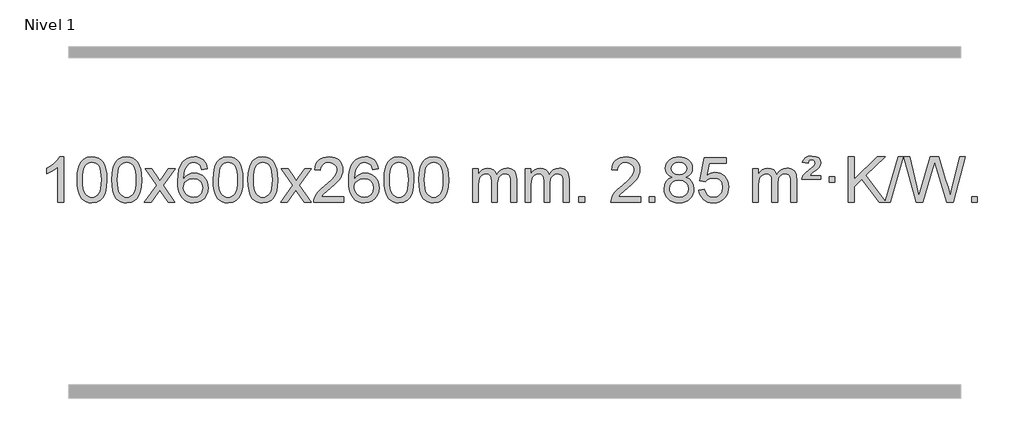
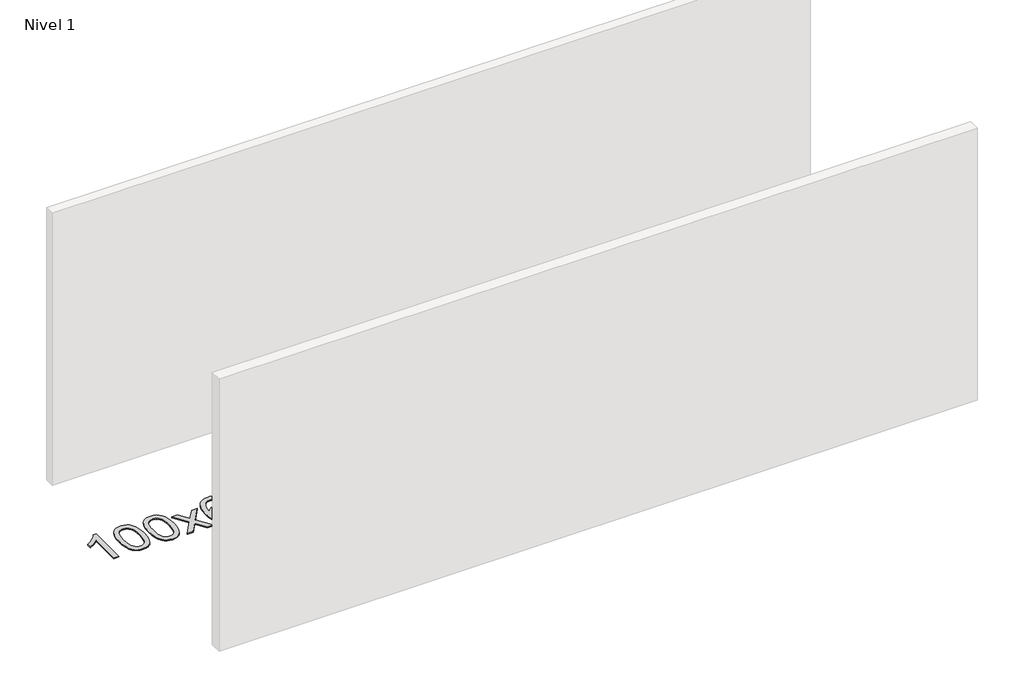
# One storey, part 7 of 12: 1 proxy.
"""IFC4 building model written with IfcOpenShell, lengths in millimetres."""

from ifc_helpers import new_model, si_unit, origin, origin_with_axes, place, context, project, spatial, polyline, outline, extrude, element, save

model = new_model("IFC4")

# Units and contexts
model_context = context("Model", 3, world=origin())
ifc_project = project(units=[si_unit("LENGTHUNIT", "METRE", prefix="MILLI")], contexts=[model_context])

# Site, building, storey
site = spatial("IfcSite", under=ifc_project)
building = spatial("IfcBuilding", under=site)
storey = spatial("IfcBuildingStorey", under=building, Name="Nivel 1", Elevation=0.0)

# Proxy
placement = place(None, origin())
element("IfcBuildingElementProxy", 1, Name="Texto de modelo 1", ObjectType="Texto de modelo 1", at=placement, inside=storey, context=model_context, shape_type="SweptSolid", body=[
    extrude(outline(polyline([(5124.5384212, -9389.579453), (5074.3102662, -9389.579453), (5074.3102662, -9076.4382987), (5053.3409924, -9093.3976587), (5026.7308615, -9110.3324932), (4973.853956, -9135.6918254), (4973.853956, -9088.2105225), (5013.3031686, -9066.7507395), (5047.479406, -9041.219729), (5074.4206308, -9014.0700378), (5092.1648057, -8987.7542124), (5124.5384212, -8987.7542124), (5124.5384212, -9389.579453)])), origin_with_axes(), (0.0, 0.0, 1.0), 10.0),
    extrude(outline(polyline([(5243.8302895, -9191.9041943), (5247.5213722, -9127.5861588), (5258.5946203, -9076.2911459), (5276.9396691, -9037.2343407), (5288.7977321, -9022.0009605), (5302.4461541, -9009.6309284), (5317.9309204, -9000.0598651), (5335.2980163, -8993.2233914), (5375.6791966, -8987.7542124), (5406.6303351, -8990.991574), (5434.3441121, -9000.7036586), (5457.5206778, -9016.5103217), (5474.8601825, -9038.0314184), (5487.9567815, -9065.0830078), (5498.4046302, -9097.4811488), (5505.2472353, -9138.6226186), (5507.5281037, -9191.9041943), (5503.8738092, -9255.8543477), (5492.9109257, -9307.0267333), (5474.6762415, -9346.1203266), (5462.8457697, -9361.3996922), (5449.2065447, -9373.8341036), (5433.7033843, -9383.4695462), (5416.2811061, -9390.3520052), (5375.6791966, -9395.8579724), (5348.0144706, -9393.4667394), (5323.4890042, -9386.2930405), (5302.1027976, -9374.3368757), (5283.8558506, -9357.5982449), (5266.3446676, -9327.3399508), (5253.8366798, -9289.6381776), (5246.3318871, -9244.4929255), (5243.8302895, -9191.9041943)]), holes=[polyline([(5294.0584446, -9191.8060924), (5295.5299726, -9235.4706195), (5299.9445565, -9270.8148822), (5307.3021964, -9297.8388804), (5317.6028923, -9316.5426142), (5330.0618292, -9329.2682656), (5343.8941922, -9338.3580165), (5359.0999814, -9343.8118671), (5375.6791966, -9345.6298173), (5392.2584119, -9343.8057357), (5407.464201, -9338.3334911), (5421.296564, -9329.2130833), (5433.7555009, -9316.4445124), (5444.0561968, -9297.7101217), (5451.4138367, -9270.6922549), (5455.8284206, -9235.3909118), (5457.2999486, -9191.8060924), (5455.8774716, -9149.2973278), (5451.6100404, -9114.5753989), (5444.4976552, -9087.6403055), (5434.5403158, -9068.4920476), (5422.2898454, -9055.1440625), (5408.2980668, -9045.6097875), (5392.5649802, -9039.8892225), (5375.0905854, -9037.9823675), (5358.5972093, -9039.6623619), (5343.6489376, -9044.7023452), (5330.2457702, -9053.1023175), (5318.3877072, -9064.8622786), (5307.7436548, -9085.708925), (5300.1407603, -9113.8151094), (5295.5790235, -9149.1808319), (5294.0584446, -9191.8060924)])]), origin_with_axes(), (0.0, 0.0, 1.0), 10.0),
    extrude(outline(polyline([(5551.4777394, -9191.9041943), (5555.1688221, -9127.5861588), (5566.2420701, -9076.2911459), (5584.5871189, -9037.2343407), (5596.4451819, -9022.0009605), (5610.0936039, -9009.6309284), (5625.5783702, -9000.0598651), (5642.9454661, -8993.2233914), (5683.3266464, -8987.7542124), (5714.277785, -8990.991574), (5741.9915619, -9000.7036586), (5765.1681276, -9016.5103217), (5782.5076323, -9038.0314184), (5795.6042314, -9065.0830078), (5806.05208, -9097.4811488), (5812.8946851, -9138.6226186), (5815.1755535, -9191.9041943), (5811.521259, -9255.8543477), (5800.5583756, -9307.0267333), (5782.3236913, -9346.1203266), (5770.4932195, -9361.3996922), (5756.8539945, -9373.8341036), (5741.3508341, -9383.4695462), (5723.928556, -9390.3520052), (5683.3266464, -9395.8579724), (5655.6619204, -9393.4667394), (5631.1364541, -9386.2930405), (5609.7502474, -9374.3368757), (5591.5033004, -9357.5982449), (5573.9921175, -9327.3399508), (5561.4841296, -9289.6381776), (5553.9793369, -9244.4929255), (5551.4777394, -9191.9041943)]), holes=[polyline([(5601.7058944, -9191.8060924), (5603.1774224, -9235.4706195), (5607.5920064, -9270.8148822), (5614.9496463, -9297.8388804), (5625.2503421, -9316.5426142), (5637.709279, -9329.2682656), (5651.5416421, -9338.3580165), (5666.7474312, -9343.8118671), (5683.3266464, -9345.6298173), (5699.9058617, -9343.8057357), (5715.1116508, -9338.3334911), (5728.9440138, -9329.2130833), (5741.4029507, -9316.4445124), (5751.7036466, -9297.7101217), (5759.0612865, -9270.6922549), (5763.4758705, -9235.3909118), (5764.9473984, -9191.8060924), (5763.5249214, -9149.2973278), (5759.2574902, -9114.5753989), (5752.145105, -9087.6403055), (5742.1877657, -9068.4920476), (5729.9372952, -9055.1440625), (5715.9455167, -9045.6097875), (5700.21243, -9039.8892225), (5682.7380352, -9037.9823675), (5666.2446591, -9039.6623619), (5651.2963874, -9044.7023452), (5637.89322, -9053.1023175), (5626.0351571, -9064.8622786), (5615.3911047, -9085.708925), (5607.7882101, -9113.8151094), (5603.2264734, -9149.1808319), (5601.7058944, -9191.8060924)])]), origin_with_axes(), (0.0, 0.0, 1.0), 10.0),
    extrude(outline(polyline([(5840.2896311, -9389.579453), (5947.6130718, -9241.2494325), (5846.5681504, -9094.4890419), (5906.9988995, -9094.4890419), (5955.7555266, -9165.122385), (5978.5151594, -9198.4770192), (5998.2336343, -9171.2047007), (6053.7592901, -9094.4890419), (6114.1900392, -9094.4890419), (6008.0438209, -9241.2494325), (6110.2659646, -9389.579453), (6049.8352155, -9389.579453), (5988.3253459, -9300.4048574), (5977.0436314, -9284.1199477), (5900.7203801, -9389.579453), (5840.2896311, -9389.579453)])), origin_with_axes(), (0.0, 0.0, 1.0), 10.0),
    extrude(outline(polyline([(6399.0778563, -9094.4890419), (6348.8497012, -9100.7675613), (6340.7562973, -9075.874213), (6329.8179393, -9058.8780648), (6307.0337811, -9043.2062918), (6279.4916824, -9037.9823675), (6256.1434384, -9041.0235253), (6234.1686206, -9050.1469988), (6215.2962742, -9069.3627017), (6199.8820186, -9095.8134171), (6189.4709581, -9133.227016), (6185.6081972, -9185.3313693), (6205.7558678, -9161.8237098), (6229.9011894, -9145.2567573), (6256.6952614, -9135.434308), (6284.7891831, -9132.1601582), (6308.922242, -9134.398107), (6331.1913654, -9141.1119534), (6351.5965534, -9152.3016975), (6370.137806, -9167.9673391), (6385.5459302, -9187.1769106), (6396.5517332, -9208.9984443), (6403.155215, -9233.4319401), (6405.3563756, -9260.4773982), (6401.2115718, -9296.4439945), (6388.7771604, -9329.786366), (6369.0832109, -9358.0642287), (6343.159793, -9378.8372987), (6312.184129, -9391.602804), (6277.3334413, -9395.8579724), (6247.3909126, -9393.0375437), (6220.3485203, -9384.5762579), (6196.2062643, -9370.4741147), (6174.9641448, -9350.7311143), (6157.6460999, -9324.5133908), (6145.2760678, -9290.9870783), (6137.8540485, -9250.1521768), (6135.3800421, -9202.0086864), (6138.1268943, -9148.0342663), (6146.367451, -9101.9693092), (6160.1017122, -9063.8138149), (6179.3296778, -9033.5677835), (6200.1701928, -9013.5243462), (6224.3339085, -8999.2076052), (6251.820825, -8990.6175606), (6282.6309421, -8987.7542124), (6305.7645882, -8989.5261773), (6326.7032051, -8994.8420722), (6345.4467927, -9003.7018969), (6361.9953511, -9016.1056515), (6375.9012906, -9031.6364031), (6386.7170212, -9049.8772186), (6394.4425431, -9070.8280983), (6399.0778563, -9094.4890419)]), holes=[polyline([(6185.6081972, -9259.6925832), (6188.514465, -9281.9494439), (6197.2332682, -9303.2007605), (6210.7713257, -9321.472233), (6228.1353558, -9334.7895612), (6249.0923668, -9342.9197533), (6273.4093667, -9345.6298173), (6306.5555345, -9340.0134855), (6320.4706709, -9332.9930708), (6332.6138425, -9323.1644901), (6342.4638829, -9310.9262824), (6349.499626, -9296.6769865), (6355.1282206, -9262.1451299), (6349.5732024, -9228.9989621), (6342.6294298, -9215.3781312), (6332.9081481, -9203.725469), (6320.7281883, -9194.3904634), (6306.4083817, -9187.7226022), (6271.3492275, -9182.3883133), (6238.2521107, -9187.7226022), (6210.5751219, -9203.725469), (6199.6520924, -9215.2248471), (6191.8499284, -9228.3858254), (6187.16863, -9243.2084042), (6185.6081972, -9259.6925832)])]), origin_with_axes(), (0.0, 0.0, 1.0), 10.0),
    extrude(outline(polyline([(6449.3060113, -9191.9041943), (6452.997094, -9127.5861588), (6464.0703421, -9076.2911459), (6482.4153909, -9037.2343407), (6494.2734539, -9022.0009605), (6507.9218759, -9009.6309284), (6523.4066422, -9000.0598651), (6540.7737381, -8993.2233914), (6581.1549184, -8987.7542124), (6612.1060569, -8990.991574), (6639.8198339, -9000.7036586), (6662.9963996, -9016.5103217), (6680.3359043, -9038.0314184), (6693.4325033, -9065.0830078), (6703.880352, -9097.4811488), (6710.7229571, -9138.6226186), (6713.0038255, -9191.9041943), (6709.349531, -9255.8543477), (6698.3866475, -9307.0267333), (6680.1519633, -9346.1203266), (6668.3214915, -9361.3996922), (6654.6822665, -9373.8341036), (6639.1791061, -9383.4695462), (6621.7568279, -9390.3520052), (6581.1549184, -9395.8579724), (6553.4901924, -9393.4667394), (6528.964726, -9386.2930405), (6507.5785194, -9374.3368757), (6489.3315724, -9357.5982449), (6471.8203894, -9327.3399508), (6459.3124016, -9289.6381776), (6451.8076089, -9244.4929255), (6449.3060113, -9191.9041943)]), holes=[polyline([(6499.5341664, -9191.8060924), (6501.0056944, -9235.4706195), (6505.4202783, -9270.8148822), (6512.7779182, -9297.8388804), (6523.0786141, -9316.5426142), (6535.537551, -9329.2682656), (6549.369914, -9338.3580165), (6564.5757032, -9343.8118671), (6581.1549184, -9345.6298173), (6597.7341337, -9343.8057357), (6612.9399228, -9338.3334911), (6626.7722858, -9329.2130833), (6639.2312227, -9316.4445124), (6649.5319186, -9297.7101217), (6656.8895585, -9270.6922549), (6661.3041424, -9235.3909118), (6662.7756704, -9191.8060924), (6661.3531934, -9149.2973278), (6657.0857622, -9114.5753989), (6649.973377, -9087.6403055), (6640.0160376, -9068.4920476), (6627.7655672, -9055.1440625), (6613.7737886, -9045.6097875), (6598.040702, -9039.8892225), (6580.5663072, -9037.9823675), (6564.0729311, -9039.6623619), (6549.1246594, -9044.7023452), (6535.721492, -9053.1023175), (6523.863429, -9064.8622786), (6513.2193766, -9085.708925), (6505.6164821, -9113.8151094), (6501.0547453, -9149.1808319), (6499.5341664, -9191.8060924)])]), origin_with_axes(), (0.0, 0.0, 1.0), 10.0),
    extrude(outline(polyline([(6756.9534612, -9191.9041943), (6760.6445439, -9127.5861588), (6771.7177919, -9076.2911459), (6790.0628407, -9037.2343407), (6801.9209037, -9022.0009605), (6815.5693257, -9009.6309284), (6831.054092, -9000.0598651), (6848.4211879, -8993.2233914), (6888.8023682, -8987.7542124), (6919.7535068, -8990.991574), (6947.4672837, -9000.7036586), (6970.6438494, -9016.5103217), (6987.9833541, -9038.0314184), (7001.0799532, -9065.0830078), (7011.5278018, -9097.4811488), (7018.3704069, -9138.6226186), (7020.6512753, -9191.9041943), (7016.9969808, -9255.8543477), (7006.0340974, -9307.0267333), (6987.7994131, -9346.1203266), (6975.9689413, -9361.3996922), (6962.3297163, -9373.8341036), (6946.8265559, -9383.4695462), (6929.4042778, -9390.3520052), (6888.8023682, -9395.8579724), (6861.1376422, -9393.4667394), (6836.6121759, -9386.2930405), (6815.2259692, -9374.3368757), (6796.9790222, -9357.5982449), (6779.4678393, -9327.3399508), (6766.9598514, -9289.6381776), (6759.4550587, -9244.4929255), (6756.9534612, -9191.9041943)]), holes=[polyline([(6807.1816162, -9191.8060924), (6808.6531442, -9235.4706195), (6813.0677282, -9270.8148822), (6820.4253681, -9297.8388804), (6830.7260639, -9316.5426142), (6843.1850008, -9329.2682656), (6857.0173639, -9338.3580165), (6872.223153, -9343.8118671), (6888.8023682, -9345.6298173), (6905.3815835, -9343.8057357), (6920.5873726, -9338.3334911), (6934.4197356, -9329.2130833), (6946.8786725, -9316.4445124), (6957.1793684, -9297.7101217), (6964.5370083, -9270.6922549), (6968.9515923, -9235.3909118), (6970.4231202, -9191.8060924), (6969.0006432, -9149.2973278), (6964.733212, -9114.5753989), (6957.6208268, -9087.6403055), (6947.6634875, -9068.4920476), (6935.413017, -9055.1440625), (6921.4212385, -9045.6097875), (6905.6881518, -9039.8892225), (6888.213757, -9037.9823675), (6871.7203809, -9039.6623619), (6856.7721092, -9044.7023452), (6843.3689418, -9053.1023175), (6831.5108789, -9064.8622786), (6820.8668265, -9085.708925), (6813.2639319, -9113.8151094), (6808.7021952, -9149.1808319), (6807.1816162, -9191.8060924)])]), origin_with_axes(), (0.0, 0.0, 1.0), 10.0),
    extrude(outline(polyline([(7045.7653528, -9389.579453), (7153.0887936, -9241.2494325), (7052.0438722, -9094.4890419), (7112.4746213, -9094.4890419), (7161.2312484, -9165.122385), (7183.9908812, -9198.4770192), (7203.7093561, -9171.2047007), (7259.2350119, -9094.4890419), (7319.665761, -9094.4890419), (7213.5195426, -9241.2494325), (7315.7416864, -9389.579453), (7255.3109373, -9389.579453), (7193.8010677, -9300.4048574), (7182.5193532, -9284.1199477), (7106.1961019, -9389.579453), (7045.7653528, -9389.579453)])), origin_with_axes(), (0.0, 0.0, 1.0), 10.0),
    extrude(outline(polyline([(7604.5535781, -9339.3512979), (7604.5535781, -9389.579453), (7340.8557639, -9389.579453), (7341.9594099, -9371.8965918), (7346.2513665, -9354.9494945), (7358.636727, -9327.8856424), (7376.7610466, -9301.6311307), (7402.9787702, -9274.1503456), (7439.6443423, -9243.4076736), (7493.845623, -9195.2641831), (7526.3663913, -9159.7267824), (7542.6267755, -9130.884834), (7548.0469036, -9102.8277005), (7542.9333439, -9077.6768347), (7527.5926647, -9056.7688747), (7504.0114288, -9042.6789943), (7474.176199, -9037.9823675), (7442.8449157, -9042.5686297), (7418.5033904, -9056.3274163), (7402.7948292, -9078.1796068), (7397.3624384, -9107.0460807), (7347.1342833, -9100.7675613), (7351.4538311, -9074.838012), (7359.3111773, -9052.1826125), (7370.7063221, -9032.8013627), (7385.6392655, -9016.6942627), (7403.7666508, -9004.0329907), (7424.7451215, -8994.989225), (7448.5746778, -8989.5629655), (7475.2553195, -8987.7542124), (7502.1750845, -8989.7653006), (7526.1333994, -8995.7985654), (7547.1302643, -9005.8540066), (7565.1656791, -9019.9316242), (7579.6510327, -9036.9890861), (7589.9977138, -9055.9840598), (7596.2057224, -9076.9165453), (7598.2750587, -9099.7865427), (7596.0432412, -9123.8092369), (7589.3477889, -9147.4149983), (7577.4652005, -9171.4254299), (7559.6719746, -9196.6621347), (7531.3082728, -9226.7916701), (7487.7142564, -9265.4805933), (7429.9322577, -9313.795762), (7407.2707268, -9339.3512979), (7604.5535781, -9339.3512979)])), origin_with_axes(), (0.0, 0.0, 1.0), 10.0),
    extrude(outline(polyline([(7912.2010279, -9094.4890419), (7861.9728728, -9100.7675613), (7853.8794689, -9075.874213), (7842.9411109, -9058.8780648), (7820.1569527, -9043.2062918), (7792.614854, -9037.9823675), (7769.26661, -9041.0235253), (7747.2917922, -9050.1469988), (7728.4194458, -9069.3627017), (7713.0051902, -9095.8134171), (7702.5941298, -9133.227016), (7698.7313688, -9185.3313693), (7718.8790394, -9161.8237098), (7743.024361, -9145.2567573), (7769.818433, -9135.434308), (7797.9123547, -9132.1601582), (7822.0454136, -9134.398107), (7844.314537, -9141.1119534), (7864.719725, -9152.3016975), (7883.2609776, -9167.9673391), (7898.6691018, -9187.1769106), (7909.6749049, -9208.9984443), (7916.2783867, -9233.4319401), (7918.4795473, -9260.4773982), (7914.3347435, -9296.4439945), (7901.900332, -9329.786366), (7882.2063825, -9358.0642287), (7856.2829646, -9378.8372987), (7825.3073006, -9391.602804), (7790.4566129, -9395.8579724), (7760.5140842, -9393.0375437), (7733.4716919, -9384.5762579), (7709.329436, -9370.4741147), (7688.0873164, -9350.7311143), (7670.7692715, -9324.5133908), (7658.3992394, -9290.9870783), (7650.9772202, -9250.1521768), (7648.5032137, -9202.0086864), (7651.250066, -9148.0342663), (7659.4906227, -9101.9693092), (7673.2248838, -9063.8138149), (7692.4528494, -9033.5677835), (7713.2933645, -9013.5243462), (7737.4570802, -8999.2076052), (7764.9439966, -8990.6175606), (7795.7541137, -8987.7542124), (7818.8877598, -8989.5261773), (7839.8263767, -8994.8420722), (7858.5699644, -9003.7018969), (7875.1185228, -9016.1056515), (7889.0244622, -9031.6364031), (7899.8401928, -9049.8772186), (7907.5657147, -9070.8280983), (7912.2010279, -9094.4890419)]), holes=[polyline([(7698.7313688, -9259.6925832), (7701.6376366, -9281.9494439), (7710.3564399, -9303.2007605), (7723.8944973, -9321.472233), (7741.2585275, -9334.7895612), (7762.2155385, -9342.9197533), (7786.5325383, -9345.6298173), (7819.6787061, -9340.0134855), (7833.5938426, -9332.9930708), (7845.7370141, -9323.1644901), (7855.5870545, -9310.9262824), (7862.6227977, -9296.6769865), (7868.2513922, -9262.1451299), (7862.6963741, -9228.9989621), (7855.7526014, -9215.3781312), (7846.0313197, -9203.725469), (7833.85136, -9194.3904634), (7819.5315533, -9187.7226022), (7784.4723992, -9182.3883133), (7751.3752823, -9187.7226022), (7723.6982936, -9203.725469), (7712.775264, -9215.2248471), (7704.9731, -9228.3858254), (7700.2918016, -9243.2084042), (7698.7313688, -9259.6925832)])]), origin_with_axes(), (0.0, 0.0, 1.0), 10.0),
    extrude(outline(polyline([(7962.429183, -9191.9041943), (7966.1202656, -9127.5861588), (7977.1935137, -9076.2911459), (7995.5385625, -9037.2343407), (8007.3966255, -9022.0009605), (8021.0450475, -9009.6309284), (8036.5298138, -9000.0598651), (8053.8969097, -8993.2233914), (8094.27809, -8987.7542124), (8125.2292286, -8990.991574), (8152.9430055, -9000.7036586), (8176.1195712, -9016.5103217), (8193.4590759, -9038.0314184), (8206.555675, -9065.0830078), (8217.0035236, -9097.4811488), (8223.8461287, -9138.6226186), (8226.1269971, -9191.9041943), (8222.4727026, -9255.8543477), (8211.5098192, -9307.0267333), (8193.2751349, -9346.1203266), (8181.4446631, -9361.3996922), (8167.8054381, -9373.8341036), (8152.3022777, -9383.4695462), (8134.8799996, -9390.3520052), (8094.27809, -9395.8579724), (8066.613364, -9393.4667394), (8042.0878976, -9386.2930405), (8020.701691, -9374.3368757), (8002.454744, -9357.5982449), (7984.9435611, -9327.3399508), (7972.4355732, -9289.6381776), (7964.9307805, -9244.4929255), (7962.429183, -9191.9041943)]), holes=[polyline([(8012.657338, -9191.8060924), (8014.128866, -9235.4706195), (8018.54345, -9270.8148822), (8025.9010899, -9297.8388804), (8036.2017857, -9316.5426142), (8048.6607226, -9329.2682656), (8062.4930856, -9338.3580165), (8077.6988748, -9343.8118671), (8094.27809, -9345.6298173), (8110.8573053, -9343.8057357), (8126.0630944, -9338.3334911), (8139.8954574, -9329.2130833), (8152.3543943, -9316.4445124), (8162.6550902, -9297.7101217), (8170.0127301, -9270.6922549), (8174.427314, -9235.3909118), (8175.898842, -9191.8060924), (8174.476365, -9149.2973278), (8170.2089338, -9114.5753989), (8163.0965486, -9087.6403055), (8153.1392093, -9068.4920476), (8140.8887388, -9055.1440625), (8126.8969603, -9045.6097875), (8111.1638736, -9039.8892225), (8093.6894788, -9037.9823675), (8077.1961027, -9039.6623619), (8062.247831, -9044.7023452), (8048.8446636, -9053.1023175), (8036.9866007, -9064.8622786), (8026.3425483, -9085.708925), (8018.7396537, -9113.8151094), (8014.1779169, -9149.1808319), (8012.657338, -9191.8060924)])]), origin_with_axes(), (0.0, 0.0, 1.0), 10.0),
    extrude(outline(polyline([(8270.0766328, -9191.9041943), (8273.7677155, -9127.5861588), (8284.8409635, -9076.2911459), (8303.1860124, -9037.2343407), (8315.0440753, -9022.0009605), (8328.6924974, -9009.6309284), (8344.1772637, -9000.0598651), (8361.5443595, -8993.2233914), (8401.9255399, -8987.7542124), (8432.8766784, -8990.991574), (8460.5904554, -9000.7036586), (8483.7670211, -9016.5103217), (8501.1065258, -9038.0314184), (8514.2031248, -9065.0830078), (8524.6509735, -9097.4811488), (8531.4935786, -9138.6226186), (8533.7744469, -9191.9041943), (8530.1201525, -9255.8543477), (8519.157269, -9307.0267333), (8500.9225848, -9346.1203266), (8489.0921129, -9361.3996922), (8475.452888, -9373.8341036), (8459.9497276, -9383.4695462), (8442.5274494, -9390.3520052), (8401.9255399, -9395.8579724), (8374.2608138, -9393.4667394), (8349.7353475, -9386.2930405), (8328.3491408, -9374.3368757), (8310.1021939, -9357.5982449), (8292.5910109, -9327.3399508), (8280.0830231, -9289.6381776), (8272.5782304, -9244.4929255), (8270.0766328, -9191.9041943)]), holes=[polyline([(8320.3047879, -9191.8060924), (8321.7763158, -9235.4706195), (8326.1908998, -9270.8148822), (8333.5485397, -9297.8388804), (8343.8492356, -9316.5426142), (8356.3081725, -9329.2682656), (8370.1405355, -9338.3580165), (8385.3463246, -9343.8118671), (8401.9255399, -9345.6298173), (8418.5047551, -9343.8057357), (8433.7105442, -9338.3334911), (8447.5429073, -9329.2130833), (8460.0018442, -9316.4445124), (8470.30254, -9297.7101217), (8477.6601799, -9270.6922549), (8482.0747639, -9235.3909118), (8483.5462919, -9191.8060924), (8482.1238148, -9149.2973278), (8477.8563837, -9114.5753989), (8470.7439984, -9087.6403055), (8460.7866591, -9068.4920476), (8448.5361887, -9055.1440625), (8434.5444101, -9045.6097875), (8418.8113234, -9039.8892225), (8401.3369287, -9037.9823675), (8384.8435526, -9039.6623619), (8369.8952808, -9044.7023452), (8356.4921135, -9053.1023175), (8344.6340505, -9064.8622786), (8333.9899981, -9085.708925), (8326.3871035, -9113.8151094), (8321.8253668, -9149.1808319), (8320.3047879, -9191.8060924)])]), origin_with_axes(), (0.0, 0.0, 1.0), 10.0),
    extrude(outline(polyline([(8747.244106, -9389.579453), (8747.244106, -9094.4890419), (8797.4722611, -9094.4890419), (8797.4722611, -9143.0494653), (8812.5799483, -9120.7435537), (8832.0041177, -9103.2691589), (8855.0825815, -9091.9751816), (8881.1531522, -9088.2105225), (8909.0876584, -9092.048758), (8931.4794092, -9103.5634645), (8948.2057772, -9121.9943524), (8959.1441352, -9146.5811324), (8977.4523959, -9121.0439906), (8998.3358304, -9102.803175), (9021.794439, -9091.8586857), (9047.8282215, -9088.2105225), (9067.9360383, -9089.7280358), (9085.585177, -9094.2805755), (9100.7756377, -9101.8681416), (9113.5074204, -9112.4907342), (9123.5720587, -9126.2709806), (9130.761086, -9143.3315082), (9135.0745024, -9163.6723168), (9136.5123078, -9187.2934066), (9136.5123078, -9389.579453), (9086.2841528, -9389.579453), (9086.2841528, -9208.875817), (9085.1191931, -9183.8230531), (9081.6243142, -9166.9372695), (9075.0760146, -9155.3735121), (9064.7507933, -9146.2868268), (9051.4702533, -9140.4007149), (9036.0559977, -9138.4386776), (9008.8449928, -9143.4663982), (8986.6617085, -9158.54956), (8978.0563355, -9170.1194488), (8971.9096405, -9184.7182326), (8966.9922845, -9223.0024856), (8966.9922845, -9389.579453), (8916.7641294, -9389.579453), (8916.7641294, -9203.2840106), (8913.8578616, -9174.8835206), (8905.1390583, -9154.6254854), (8889.7983791, -9142.4853796), (8867.0264836, -9138.4386776), (8847.6758907, -9141.1364789), (8829.8458767, -9149.2298828), (8815.1305968, -9162.5226856), (8805.1242066, -9180.8186835), (8799.3852475, -9206.2025411), (8797.4722611, -9240.7589232), (8797.4722611, -9389.579453), (8747.244106, -9389.579453)])), origin_with_axes(), (0.0, 0.0, 1.0), 10.0),
    extrude(outline(polyline([(9211.8545404, -9389.579453), (9211.8545404, -9094.4890419), (9262.0826955, -9094.4890419), (9262.0826955, -9143.0494653), (9277.1903828, -9120.7435537), (9296.6145521, -9103.2691589), (9319.693016, -9091.9751816), (9345.7635867, -9088.2105225), (9373.6980929, -9092.048758), (9396.0898436, -9103.5634645), (9412.8162117, -9121.9943524), (9423.7545697, -9146.5811324), (9442.0628303, -9121.0439906), (9462.9462649, -9102.803175), (9486.4048734, -9091.8586857), (9512.438656, -9088.2105225), (9532.5464727, -9089.7280358), (9550.1956114, -9094.2805755), (9565.3860721, -9101.8681416), (9578.1178548, -9112.4907342), (9588.1824931, -9126.2709806), (9595.3715204, -9143.3315082), (9599.6849368, -9163.6723168), (9601.1227423, -9187.2934066), (9601.1227423, -9389.579453), (9550.8945872, -9389.579453), (9550.8945872, -9208.875817), (9549.7296276, -9183.8230531), (9546.2347486, -9166.9372695), (9539.6864491, -9155.3735121), (9529.3612278, -9146.2868268), (9516.0806877, -9140.4007149), (9500.6664321, -9138.4386776), (9473.4554272, -9143.4663982), (9451.2721429, -9158.54956), (9442.6667699, -9170.1194488), (9436.5200749, -9184.7182326), (9431.6027189, -9223.0024856), (9431.6027189, -9389.579453), (9381.3745638, -9389.579453), (9381.3745638, -9203.2840106), (9378.4682961, -9174.8835206), (9369.7494928, -9154.6254854), (9354.4088136, -9142.4853796), (9331.6369181, -9138.4386776), (9312.2863251, -9141.1364789), (9294.4563111, -9149.2298828), (9279.7410313, -9162.5226856), (9269.734641, -9180.8186835), (9263.9956819, -9206.2025411), (9262.0826955, -9240.7589232), (9262.0826955, -9389.579453), (9211.8545404, -9389.579453)])), origin_with_axes(), (0.0, 0.0, 1.0), 10.0),
    extrude(outline(polyline([(9689.0220137, -9389.579453), (9689.0220137, -9339.3512979), (9739.2501687, -9339.3512979), (9739.2501687, -9389.579453), (9689.0220137, -9389.579453)])), origin_with_axes(), (0.0, 0.0, 1.0), 10.0),
    extrude(outline(polyline([(10235.2532001, -9339.3512979), (10235.2532001, -9389.579453), (9971.555386, -9389.579453), (9972.6590319, -9371.8965918), (9976.9509885, -9354.9494945), (9989.3363491, -9327.8856424), (10007.4606687, -9301.6311307), (10033.6783922, -9274.1503456), (10070.3439644, -9243.4076736), (10124.545245, -9195.2641831), (10157.0660134, -9159.7267824), (10173.3263976, -9130.884834), (10178.7465256, -9102.8277005), (10173.6329659, -9077.6768347), (10158.2922867, -9056.7688747), (10134.7110508, -9042.6789943), (10104.875821, -9037.9823675), (10073.5445377, -9042.5686297), (10049.2030124, -9056.3274163), (10033.4944512, -9078.1796068), (10028.0620604, -9107.0460807), (9977.8339053, -9100.7675613), (9982.1534531, -9074.838012), (9990.0107994, -9052.1826125), (10001.4059442, -9032.8013627), (10016.3388875, -9016.6942627), (10034.4662728, -9004.0329907), (10055.4447436, -8994.989225), (10079.2742998, -8989.5629655), (10105.9549415, -8987.7542124), (10132.8747065, -8989.7653006), (10156.8330215, -8995.7985654), (10177.8298863, -9005.8540066), (10195.8653011, -9019.9316242), (10210.3506547, -9036.9890861), (10220.6973358, -9055.9840598), (10226.9053445, -9076.9165453), (10228.9746807, -9099.7865427), (10226.7428633, -9123.8092369), (10220.047411, -9147.4149983), (10208.1648225, -9171.4254299), (10190.3715967, -9196.6621347), (10162.0078949, -9226.7916701), (10118.4138784, -9265.4805933), (10060.6318797, -9313.795762), (10037.9703488, -9339.3512979), (10235.2532001, -9339.3512979)])), origin_with_axes(), (0.0, 0.0, 1.0), 10.0),
    extrude(outline(polyline([(10310.5954327, -9389.579453), (10310.5954327, -9339.3512979), (10360.8235878, -9339.3512979), (10360.8235878, -9389.579453), (10310.5954327, -9389.579453)])), origin_with_axes(), (0.0, 0.0, 1.0), 10.0),
    extrude(outline(polyline([(10515.6283314, -9168.2616447), (10488.7361575, -9155.0178929), (10469.8638112, -9137.0652515), (10458.7169867, -9114.7716026), (10455.0013785, -9088.5048281), (10457.0247295, -9068.0199324), (10463.0947824, -9049.2395565), (10473.2115373, -9032.1637006), (10487.3749941, -9016.7923645), (10504.9045712, -9004.088173), (10525.1196868, -8995.0137504), (10548.020341, -8989.5690969), (10573.6065338, -8987.7542124), (10599.3153539, -8989.6120165), (10622.3876864, -8995.1854287), (10642.8235312, -9004.4744491), (10660.6228884, -9017.4790776), (10675.0438626, -9033.1508506), (10685.3445585, -9050.4413044), (10691.524976, -9069.3504389), (10693.5851152, -9089.8782543), (10689.9185579, -9115.2989001), (10678.9188863, -9137.2124043), (10660.4634729, -9155.0546811), (10634.4296903, -9168.2616447), (10665.3440407, -9184.1909351), (10687.846156, -9207.6495436), (10701.5681544, -9237.5092989), (10706.1421539, -9272.6420295), (10703.8735483, -9297.6947933), (10697.0677314, -9320.6628926), (10685.7247032, -9341.5463272), (10669.8444637, -9360.3450971), (10650.2608789, -9375.88198), (10627.8078144, -9386.9797536), (10602.4852704, -9393.6384177), (10574.2932469, -9395.8579724), (10546.1012233, -9393.6292206), (10520.7786793, -9386.9429654), (10498.3256148, -9375.7992066), (10478.74203, -9360.1979443), (10462.8617905, -9341.26735), (10451.5187623, -9320.135595), (10444.7129454, -9296.8026795), (10442.4443398, -9271.2686033), (10447.2022803, -9234.7747094), (10461.4761017, -9204.7555386), (10484.53004, -9182.2411605), (10515.6283314, -9168.2616447)]), holes=[polyline([(10505.2295336, -9089.9763561), (10509.6809058, -9111.902123), (10523.0350222, -9129.413306), (10544.8994754, -9140.8912243), (10574.881858, -9144.717197), (10604.1652649, -9140.9157497), (10625.6986243, -9129.5114079), (10638.9423761, -9112.5888361), (10643.3569601, -9092.232699), (10638.7952233, -9071.1040098), (10625.1100131, -9053.629615), (10603.2823481, -9041.8941794), (10574.2932469, -9037.9823675), (10545.1202046, -9041.8083402), (10523.3293278, -9053.2862585), (10509.7544822, -9070.1107284), (10505.2295336, -9089.9763561)]), polyline([(10492.6724949, -9269.5027698), (10494.7694222, -9288.7184726), (10501.0602043, -9307.3210389), (10512.6730127, -9323.5446349), (10530.7360186, -9335.623427), (10552.3674799, -9343.1282197), (10574.6856543, -9345.6298173), (10608.8741544, -9340.3691048), (10622.7678311, -9333.7932141), (10634.5277922, -9324.5869672), (10650.5674472, -9300.6869002), (10655.9139988, -9271.0723996), (10650.3957689, -9240.9551269), (10633.8410791, -9216.5277625), (10621.762287, -9207.0854579), (10607.5988301, -9200.3409547), (10573.0179226, -9194.9453521), (10539.3076691, -9200.2673783), (10525.5703423, -9206.919911), (10513.9115487, -9216.2334569), (10497.9822583, -9240.1948375), (10492.6724949, -9269.5027698)])]), origin_with_axes(), (0.0, 0.0, 1.0), 10.0),
    extrude(outline(polyline([(10750.0917896, -9282.8446235), (10800.3199447, -9276.5661041), (10809.54152, -9306.7201649), (10825.630226, -9328.3148381), (10848.5124861, -9341.3010725), (10878.1147239, -9345.6298173), (10897.2445877, -9344.1245668), (10914.1181085, -9339.6088153), (10928.7352865, -9332.0825628), (10941.0961215, -9321.5458094), (10950.9247021, -9308.519721), (10957.9451169, -9293.5254641), (10963.5614487, -9257.6324441), (10958.3007361, -9223.8363514), (10951.7248455, -9209.9181493), (10942.5185986, -9197.9865099), (10930.6513385, -9188.4154467), (10916.0924086, -9181.5789729), (10878.8995389, -9176.1097939), (10854.533488, -9178.2925604), (10834.8027504, -9184.8408599), (10819.0451382, -9194.8717757), (10806.5984641, -9207.5023908), (10756.370309, -9201.2238715), (10800.3199447, -8994.0327318), (10994.9540456, -8994.0327318), (10994.9540456, -9044.2608869), (10840.934117, -9044.2608869), (10819.4498084, -9154.919791), (10837.1755892, -9142.2155994), (10855.3305657, -9133.1411769), (10873.9147378, -9127.6965234), (10892.9281056, -9125.8816388), (10917.3891926, -9128.1318504), (10939.8575855, -9134.882485), (10960.3332842, -9146.1335427), (10978.8162887, -9161.8850234), (10994.1171141, -9181.1743027), (11005.046275, -9203.038756), (11011.6037716, -9227.4783832), (11013.7896038, -9254.4931844), (11011.8214351, -9280.5147042), (11005.9169291, -9304.7213394), (10996.0760857, -9327.1130902), (10982.298905, -9347.6899565), (10961.4277331, -9368.7634634), (10937.073945, -9383.8159684), (10909.2375407, -9392.8474714), (10877.9185202, -9395.8579724), (10851.998168, -9393.9235262), (10828.5855447, -9388.1201877), (10807.6806503, -9378.447957), (10789.2834848, -9364.9068338), (10773.9765281, -9348.1712688), (10762.3422601, -9328.915712), (10754.3806805, -9307.1401636), (10750.0917896, -9282.8446235)])), origin_with_axes(), (0.0, 0.0, 1.0), 10.0),
    extrude(outline(polyline([(11227.2592628, -9389.579453), (11227.2592628, -9094.4890419), (11277.4874179, -9094.4890419), (11277.4874179, -9143.0494653), (11292.5951052, -9120.7435537), (11312.0192745, -9103.2691589), (11335.0977383, -9091.9751816), (11361.1683091, -9088.2105225), (11389.1028152, -9092.048758), (11411.494566, -9103.5634645), (11428.2209341, -9121.9943524), (11439.159292, -9146.5811324), (11457.4675527, -9121.0439906), (11478.3509873, -9102.803175), (11501.8095958, -9091.8586857), (11527.8433783, -9088.2105225), (11547.9511951, -9089.7280358), (11565.6003338, -9094.2805755), (11580.7907945, -9101.8681416), (11593.5225772, -9112.4907342), (11603.5872155, -9126.2709806), (11610.7762428, -9143.3315082), (11615.0896592, -9163.6723168), (11616.5274647, -9187.2934066), (11616.5274647, -9389.579453), (11566.2993096, -9389.579453), (11566.2993096, -9208.875817), (11565.1343499, -9183.8230531), (11561.639471, -9166.9372695), (11555.0911715, -9155.3735121), (11544.7659501, -9146.2868268), (11531.4854101, -9140.4007149), (11516.0711545, -9138.4386776), (11488.8601496, -9143.4663982), (11466.6768653, -9158.54956), (11458.0714923, -9170.1194488), (11451.9247973, -9184.7182326), (11447.0074413, -9223.0024856), (11447.0074413, -9389.579453), (11396.7792862, -9389.579453), (11396.7792862, -9203.2840106), (11393.8730184, -9174.8835206), (11385.1542152, -9154.6254854), (11369.813536, -9142.4853796), (11347.0416405, -9138.4386776), (11327.6910475, -9141.1364789), (11309.8610335, -9149.2298828), (11295.1457537, -9162.5226856), (11285.1393634, -9180.8186835), (11279.4004043, -9206.2025411), (11277.4874179, -9240.7589232), (11277.4874179, -9389.579453), (11227.2592628, -9389.579453)])), origin_with_axes(), (0.0, 0.0, 1.0), 10.0),
    extrude(outline(polyline([(11660.4771003, -9188.6668327), (11664.3030731, -9172.8479069), (11672.6417317, -9156.9799302), (11694.1505656, -9131.8413272), (11726.1072483, -9104.1030247), (11770.2530877, -9066.726214), (11777.3899984, -9055.1992448), (11779.7689686, -9043.3779701), (11777.8805077, -9031.2869152), (11772.215125, -9021.5012541), (11762.8463969, -9015.026531), (11749.8478997, -9012.8682899), (11737.4134883, -9014.4869707), (11728.5597949, -9019.343013), (11722.1341227, -9028.8098431), (11716.9837748, -9044.2608869), (11666.7556197, -9037.9823675), (11677.5958759, -9012.7701881), (11694.224142, -8995.2099542), (11717.9893189, -8984.9092583), (11750.2403072, -8981.475693), (11786.0229626, -8985.6082341), (11810.7691581, -8998.0058573), (11825.1901323, -9016.3386434), (11829.9971237, -9038.2766731), (11825.9013708, -9061.1834586), (11813.6141122, -9082.8149199), (11793.0862969, -9102.6314968), (11756.6169284, -9130.6886303), (11731.0123416, -9157.2742358), (11829.9971237, -9157.2742358), (11829.9971237, -9188.6668327), (11660.4771003, -9188.6668327)])), origin_with_axes(), (0.0, 0.0, 1.0), 10.0),
    extrude(outline(polyline([(11905.3393563, -9213.7809102), (11905.3393563, -9163.5527552), (11955.5675114, -9163.5527552), (11955.5675114, -9213.7809102), (11905.3393563, -9213.7809102)])), origin_with_axes(), (0.0, 0.0, 1.0), 10.0),
    extrude(outline(polyline([(12346.2091394, -9389.579453), (12192.7778219, -9186.9009991), (12125.0875348, -9251.4520265), (12125.0875348, -9389.579453), (12074.8593797, -9389.579453), (12074.8593797, -8987.7542124), (12125.0875348, -8987.7542124), (12125.0875348, -9184.4484525), (12331.1014521, -8987.7542124), (12401.3423877, -8987.7542124), (12228.388799, -9152.9577537), (12403.0424089, -9383.5349332), (12514.3557366, -8987.7542124), (12559.6787984, -8987.7542124), (12446.6654495, -9389.579453), (12407.6209071, -9389.579453), (12401.3423877, -9389.579453), (12346.2091394, -9389.579453)])), origin_with_axes(), (0.0, 0.0, 1.0), 10.0),
    extrude(outline(polyline([(12674.1636753, -9389.579453), (12564.5838917, -8987.7542124), (12616.3816766, -8987.7542124), (12679.9516854, -9251.844434), (12699.5720585, -9333.3670841), (12720.5658576, -9261.2622131), (12800.2245723, -8987.7542124), (12874.8800919, -8987.7542124), (12932.7601925, -9186.0180823), (12957.5554389, -9259.5944814), (12975.8269114, -9333.3670841), (12994.8586732, -9254.1988788), (13059.0172932, -8987.7542124), (13110.8150781, -8987.7542124), (13001.1371926, -9389.579453), (12947.4754723, -9389.579453), (12851.1394405, -9079.5775584), (12837.6994849, -9036.3146358), (12822.5917976, -9088.4067263), (12734.7906281, -9389.579453), (12674.1636753, -9389.579453)])), origin_with_axes(), (0.0, 0.0, 1.0), 10.0),
    extrude(outline(polyline([(13167.3217526, -9389.579453), (13167.3217526, -9339.3512979), (13217.5499077, -9339.3512979), (13217.5499077, -9389.579453), (13167.3217526, -9389.579453)])), origin_with_axes(), (0.0, 0.0, 1.0), 10.0),
])

save(model, "model.ifc")
